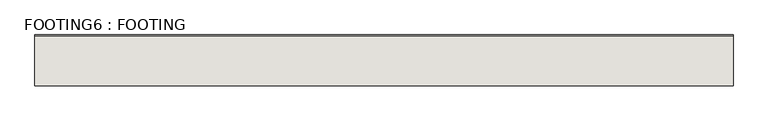
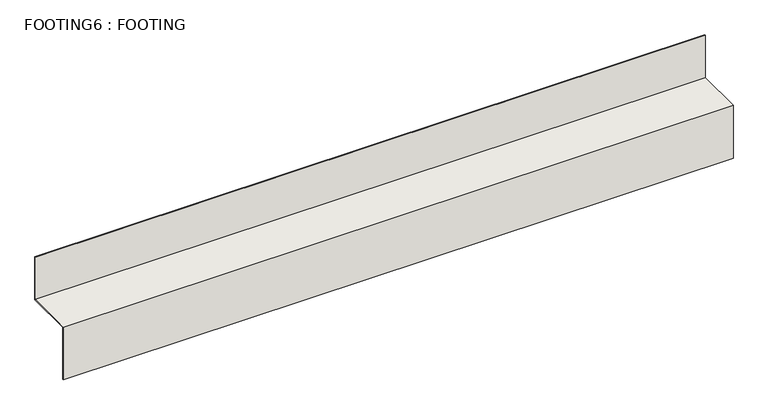
"""IFC4 building model written with IfcOpenShell, lengths in millimetres: wall geometry, FOOTING6 : FOOTING."""

import ifcopenshell
import ifcopenshell.guid

model = None  # the IFC model being written
_history = None  # IfcOwnerHistory: only IFC2X3 demands one
_inside = {}  # id of a spatial element -> (the spatial element, [elements in it])
_under = {}  # id of a project, library or spatial element -> (it, [spatial elements below it])
_declared = {}  # id of a project -> (the project, [libraries it declares])
_typed = {}  # id of a type object -> (the type object, [elements of that type])
_made_of = {}  # id of a material, layer set ... -> (it, [elements and type objects made of it])


def new_model(schema):
    """Start an empty IFC model of exactly this schema.

    Asked for "IFC4X3", IfcOpenShell would pick the latest addendum, in which some entities
    have other attributes; the version numbers below select the first issue.
    IFC2X3 requires an IfcOwnerHistory on every rooted entity: one is made here for all.
    """
    global model, _history
    if schema == "IFC4X3":
        model = ifcopenshell.file(schema_version=(4, 3, 0, 0))
    else:
        model = ifcopenshell.file(schema=schema)
    _inside.clear()
    _under.clear()
    _declared.clear()
    _typed.clear()
    _made_of.clear()
    _history = None
    if model.schema == "IFC2X3":
        org = make("IfcOrganization", Name="unknown")
        user = make(
            "IfcPersonAndOrganization",
            ThePerson=make("IfcPerson", FamilyName="unknown"),
            TheOrganization=org,
        )
        app = make(
            "IfcApplication",
            ApplicationDeveloper=org,
            Version="unknown",
            ApplicationFullName="unknown",
            ApplicationIdentifier="unknown",
        )
        _history = make(
            "IfcOwnerHistory",
            OwningUser=user,
            OwningApplication=app,
            ChangeAction="ADDED",
            CreationDate=0,
        )
    return model


def make(cls, **values):
    """One entity of the class cls with the attributes given. An attribute that is None is left unset."""
    return model.create_entity(
        cls, **{name: value for name, value in values.items() if value is not None}
    )


def rooted(cls, **values):
    """An entity with a GlobalId (a new one), such as an element, a storey or a relation."""
    return make(cls, GlobalId=ifcopenshell.guid.new(), OwnerHistory=_history, **values)


def si_unit(unit_type, name, prefix=None):
    """IfcSIUnit, for example si_unit("LENGTHUNIT", "METRE", prefix="MILLI")."""
    return make("IfcSIUnit", UnitType=unit_type, Prefix=prefix, Name=name)


def assignment(units):
    """IfcUnitAssignment: the units of a project."""
    return None if units is None else make("IfcUnitAssignment", Units=units)


def point(xyz):
    """IfcCartesianPoint."""
    return None if xyz is None else make("IfcCartesianPoint", Coordinates=xyz)


def direction(xyz):
    """IfcDirection."""
    return None if xyz is None else make("IfcDirection", DirectionRatios=xyz)


def frame(location, z_axis=None, x_axis=None):
    """IfcAxis2Placement3D, a coordinate frame: its origin and axes. An axis left out is left unset."""
    return make(
        "IfcAxis2Placement3D",
        Location=point(location),
        Axis=direction(z_axis),
        RefDirection=direction(x_axis),
    )


def origin():
    """The frame at (0, 0, 0) with its axes left unset."""
    return frame((0.0, 0.0, 0.0))


def place(relative_to, where):
    """IfcLocalPlacement: puts the frame where relative to a parent placement (None: the world)."""
    return make(
        "IfcLocalPlacement", PlacementRelTo=relative_to, RelativePlacement=where
    )


def context(
    kind, dimensions, precision=None, world=None, true_north=None, identifier=None
):
    """IfcGeometricRepresentationContext, for example the 3D "Model" context."""
    return make(
        "IfcGeometricRepresentationContext",
        ContextIdentifier=identifier,
        ContextType=kind,
        CoordinateSpaceDimension=dimensions,
        Precision=precision,
        WorldCoordinateSystem=world,
        TrueNorth=true_north,
    )


def project(units=None, contexts=None):
    """IfcProject with its units and contexts."""
    return rooted(
        "IfcProject",
        Name="project",
        RepresentationContexts=contexts,
        UnitsInContext=assignment(units),
    )


def spatial(cls, under=None, at=None, **own):
    """A site, building, storey or space (cls), placed at a placement, below another one or the project."""
    s = rooted(cls, ObjectPlacement=at, **own)
    if under is not None:
        _under.setdefault(under.id(), (under, []))[1].append(s)
    return s


def polyline(points):
    """IfcPolyline through the points."""
    return make("IfcPolyline", Points=[point(p) for p in points])


def outline(outer, holes=None, kind="AREA"):
    """IfcArbitraryClosedProfileDef: a profile drawn as a closed curve; with holes, ...WithVoids."""
    if holes is None:
        return make("IfcArbitraryClosedProfileDef", ProfileType=kind, OuterCurve=outer)
    return make(
        "IfcArbitraryProfileDefWithVoids",
        ProfileType=kind,
        OuterCurve=outer,
        InnerCurves=holes,
    )


def extrude(swept, where, along, depth):
    """IfcExtrudedAreaSolid: the profile swept, set in the frame where, extruded along a direction by depth."""
    return make(
        "IfcExtrudedAreaSolid",
        SweptArea=swept,
        Position=where,
        ExtrudedDirection=direction(along),
        Depth=depth,
    )


def shape(context_of_items, identifier, shape_type, items):
    """IfcShapeRepresentation: the items that make up one representation, for example the "Body"."""
    return make(
        "IfcShapeRepresentation",
        ContextOfItems=context_of_items,
        RepresentationIdentifier=identifier,
        RepresentationType=shape_type,
        Items=items,
    )


def source(mapping_origin, context_of_items, identifier, shape_type, items):
    """IfcRepresentationMap: a shape defined once, which mapped items show again and again."""
    return make(
        "IfcRepresentationMap",
        MappingOrigin=mapping_origin,
        MappedRepresentation=shape(context_of_items, identifier, shape_type, items),
    )


def transform(
    local_origin,
    x_axis=None,
    y_axis=None,
    z_axis=None,
    scale=None,
    scale2=None,
    scale3=None,
    uniform=True,
):
    """IfcCartesianTransformationOperator3D, or its non-uniform kind. x_axis, y_axis, z_axis: its Axis1, 2, 3."""
    if uniform:
        return make(
            "IfcCartesianTransformationOperator3D",
            Axis1=direction(x_axis),
            Axis2=direction(y_axis),
            LocalOrigin=point(local_origin),
            Scale=scale,
            Axis3=direction(z_axis),
        )
    return make(
        "IfcCartesianTransformationOperator3DnonUniform",
        Axis1=direction(x_axis),
        Axis2=direction(y_axis),
        LocalOrigin=point(local_origin),
        Scale=scale,
        Axis3=direction(z_axis),
        Scale2=scale2,
        Scale3=scale3,
    )


def mapped(mapping_source, mapping_target):
    """IfcMappedItem: shows the shape of a source again, moved by a transform."""
    return make(
        "IfcMappedItem", MappingSource=mapping_source, MappingTarget=mapping_target
    )


def made_of(thing, what):
    """Note that an element or type object is made of a material, layer set ...; save() writes the relation."""
    if what is not None:
        _made_of.setdefault(what.id(), (what, []))[1].append(thing)
    return thing


def element(
    cls,
    number,
    at=None,
    inside=None,
    cuts=None,
    type_object=None,
    material=None,
    context=None,
    identifier="Body",
    shape_type=None,
    held_by="IfcProductDefinitionShape",
    body=None,
    shapes=None,
    **own,
):
    """One element of the class cls, such as IfcWall. Its Tag is "e" and its number.

    at: its placement. inside: the storey or other place that contains it. cuts: it is an
    opening in that element (IfcRelVoidsElement). A single representation is given by context,
    identifier, shape_type and body (its items); several are given by shapes. held_by: the class
    of the entity that holds the representations. save() writes the other relations.
    """
    e = rooted(cls, Tag="e%d" % number, ObjectPlacement=at, **own)
    if body is not None:
        shapes = [shape(context, identifier, shape_type, body)]
    if shapes is not None:
        e.Representation = make(held_by, Representations=shapes)
    if inside is not None:
        _inside.setdefault(inside.id(), (inside, []))[1].append(e)
    if cuts is not None:
        rooted(
            "IfcRelVoidsElement", RelatingBuildingElement=cuts, RelatedOpeningElement=e
        )
    if type_object is not None:
        _typed.setdefault(type_object.id(), (type_object, []))[1].append(e)
    return made_of(e, material)


def aggregate(whole, parts):
    """IfcRelAggregates: a whole, such as a stair, and the parts it consists of."""
    return rooted("IfcRelAggregates", RelatingObject=whole, RelatedObjects=parts)


def save(model, path):
    """Write the relations noted so far, then the file.

    IfcRelAggregates (storeys below a building ...), IfcRelContainedInSpatialStructure (elements
    in a storey), IfcRelDefinesByType, IfcRelAssociatesMaterial and IfcRelDeclares: one each for
    every whole, place, type object, material and project.
    """
    for whole, parts in _under.values():
        aggregate(whole, parts)
    for where, things in _inside.values():
        rooted(
            "IfcRelContainedInSpatialStructure",
            RelatedElements=things,
            RelatingStructure=where,
        )
    for kind, things in _typed.values():
        rooted("IfcRelDefinesByType", RelatedObjects=things, RelatingType=kind)
    for what, things in _made_of.values():
        rooted("IfcRelAssociatesMaterial", RelatedObjects=things, RelatingMaterial=what)
    for by, libraries in _declared.values():
        rooted("IfcRelDeclares", RelatingContext=by, RelatedDefinitions=libraries)
    model.write(path)


def footing6_footing_db187f74(model_context):
    return source(origin(), model_context, "Body", "SweptSolid", [
        extrude(outline(polyline([(2674.4503704, -193.675), (2496.6503704, -193.675), (2496.6503704, -396.875), (2493.4753704, -396.875), (2493.4753704, -190.5), (2671.2753704, -190.5), (2671.2753704, -25.4), (2674.4503704, -25.4), (2674.4503704, -193.675)])), frame((-597.1939032, 0.0, 0.0), z_axis=(1.0, 0.0, 0.0), x_axis=(0.0, 1.0, 0.0)), (0.0, 0.0, 1.0), 2476.5),
    ])


if __name__ == "__main__":
    model = new_model("IFC4")
    model_context = context("Model", 3, world=origin())
    ifc_project = project(units=[si_unit("LENGTHUNIT", "METRE", prefix="MILLI")], contexts=[model_context])
    site = spatial("IfcSite", under=ifc_project)
    building = spatial("IfcBuilding", under=site)
    placement = place(None, origin())
    footing6_footing_shape = footing6_footing_db187f74(model_context)
    element("IfcWall", 1, ObjectType="FOOTING6 : FOOTING", at=placement, inside=building, context=model_context, shape_type="MappedRepresentation", body=[
        mapped(footing6_footing_shape, transform((0.0, 0.0, 0.0), x_axis=(1.0, 0.0, 0.0), y_axis=(0.0, 1.0, 0.0), z_axis=(0.0, 0.0, 1.0))),
    ])
    save(model, "model.ifc")
